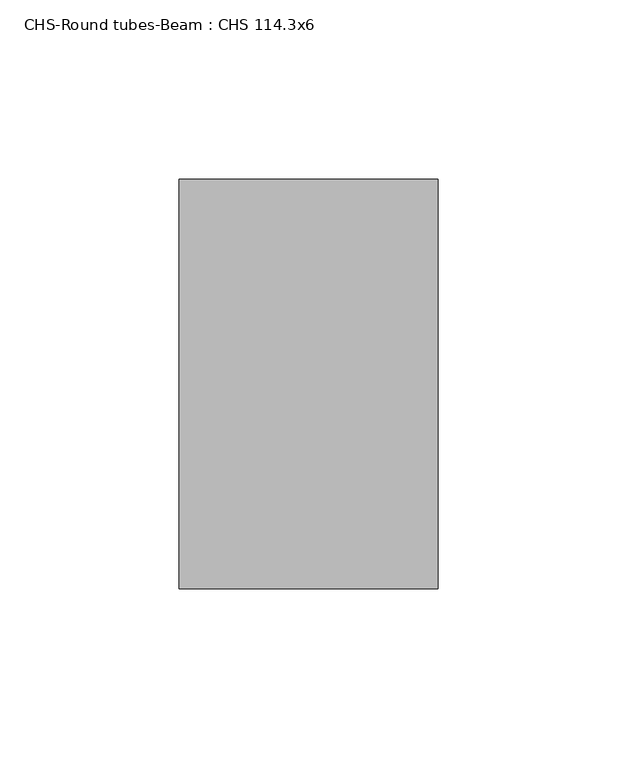
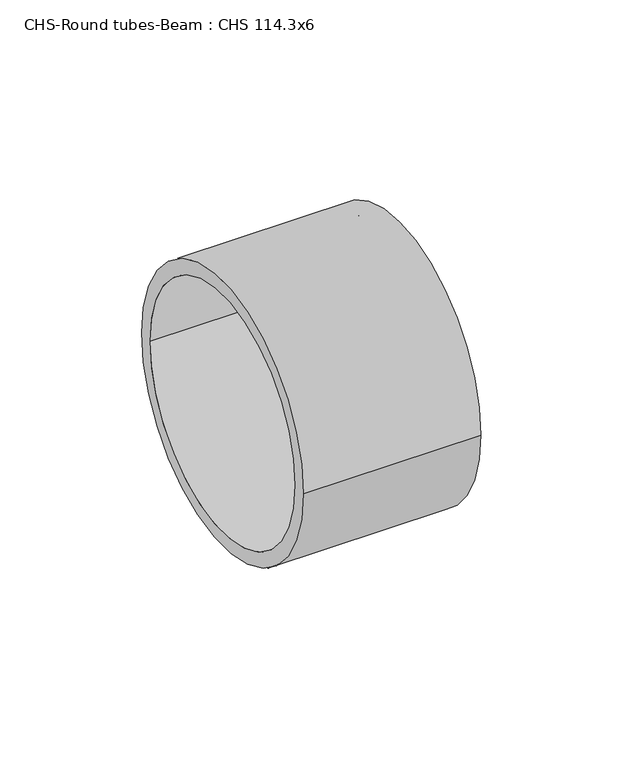
"""IFC4 building model written with IfcOpenShell, lengths in millimetres: beam geometry, CHS-Round tubes-Beam : CHS 114.3x6."""

from ifc_helpers import new_model, si_unit, point, frame, origin, origin_2d, place, context, project, spatial, circle_curve, trimmed, segment, composite_curve, outline, extrude, source, transform, mapped, element, save


def chs_round_tubes_beam_chs_114_3x6_5004f2df(model_context):
    return source(origin(), model_context, "Body", "SweptSolid", [
        extrude(outline(composite_curve([segment(trimmed(circle_curve(origin_2d(), 57.15), [point((-57.15, 0.0))], [point((57.15, 0.0))], False, "CARTESIAN"), True, "CONTINUOUS"), segment(trimmed(circle_curve(origin_2d(), 57.15), [point((57.15, 0.0))], [point((-57.15, 0.0))], False, "CARTESIAN"), True, "CONTINUOUS")], self_intersect=False), holes=[composite_curve([segment(trimmed(circle_curve(origin_2d(), 51.15), [point((-51.15, 0.0))], [point((51.15, 0.0))], True, "CARTESIAN"), True, "CONTINUOUS"), segment(trimmed(circle_curve(origin_2d(), 51.15), [point((51.15, 0.0))], [point((-51.15, 0.0))], True, "CARTESIAN"), True, "CONTINUOUS")], self_intersect=False)]), frame((80.0470774, 0.0, 0.0), z_axis=(1.0, 0.0, 0.0), x_axis=(0.0, 1.0, 0.0)), (0.0, 0.0, 1.0), 72.3159458),
    ])


if __name__ == "__main__":
    model = new_model("IFC4")
    model_context = context("Model", 3, world=origin())
    ifc_project = project(units=[si_unit("LENGTHUNIT", "METRE", prefix="MILLI")], contexts=[model_context])
    site = spatial("IfcSite", under=ifc_project)
    building = spatial("IfcBuilding", under=site)
    placement = place(None, origin())
    chs_round_tubes_beam_chs_114_3x6_shape = chs_round_tubes_beam_chs_114_3x6_5004f2df(model_context)
    element("IfcBeam", 1, ObjectType="CHS-Round tubes-Beam : CHS 114.3x6", at=placement, inside=building, context=model_context, shape_type="MappedRepresentation", body=[
        mapped(chs_round_tubes_beam_chs_114_3x6_shape, transform((0.0, 0.0, 0.0), x_axis=(1.0, 0.0, 0.0), y_axis=(0.0, 1.0, 0.0), z_axis=(0.0, 0.0, 1.0))),
    ])
    save(model, "model.ifc")
